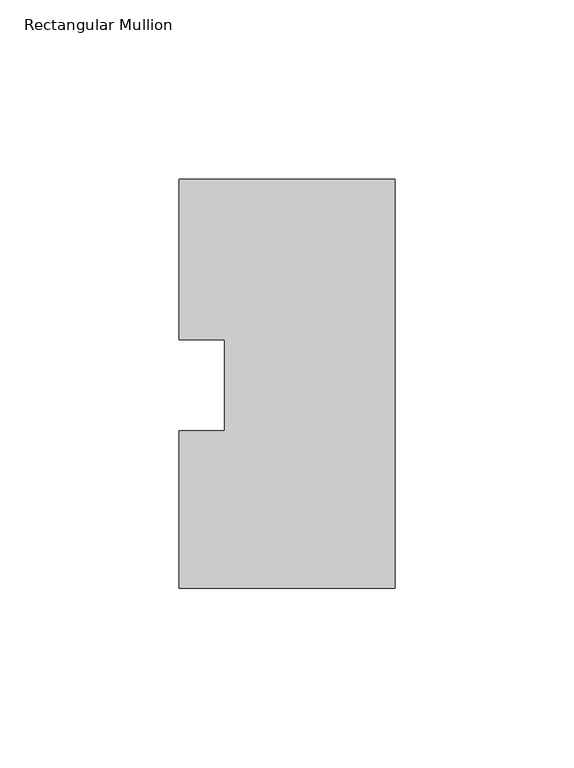
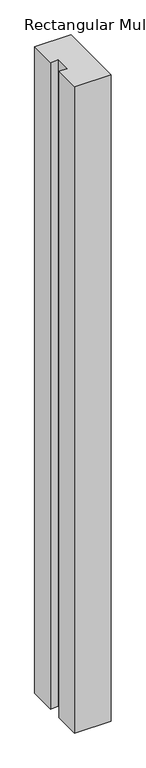
"""IFC4 building model written with IfcOpenShell, lengths in millimetres: member geometry, Rectangular Mullion."""

from ifc_helpers import new_model, si_unit, frame, origin, place, context, project, spatial, polyline, outline, extrude, source, transform, mapped, element, save


def rectangular_mullion_49db9d86(model_context):
    return source(origin(), model_context, "Body", "SweptSolid", [
        extrude(outline(polyline([(-60.325, 57.546875), (0.0, 57.546875), (0.0, -56.753125), (-60.325, -56.753125), (-60.325, -12.7), (-47.6232296, -12.7), (-47.6232296, 12.7), (-60.325, 12.7), (-60.325, 57.546875)])), frame((0.0, 0.0, -1130.3), z_axis=(0.0, 0.0, 1.0), x_axis=(1.0, 0.0, 0.0)), (0.0, 0.0, 1.0), 1130.3),
    ])


if __name__ == "__main__":
    model = new_model("IFC4")
    model_context = context("Model", 3, world=origin())
    ifc_project = project(units=[si_unit("LENGTHUNIT", "METRE", prefix="MILLI")], contexts=[model_context])
    site = spatial("IfcSite", under=ifc_project)
    building = spatial("IfcBuilding", under=site)
    placement = place(None, origin())
    rectangular_mullion_shape = rectangular_mullion_49db9d86(model_context)
    element("IfcMember", 1, ObjectType="Rectangular Mullion", at=placement, inside=building, context=model_context, shape_type="MappedRepresentation", body=[
        mapped(rectangular_mullion_shape, transform((0.0, 0.0, 0.0), x_axis=(1.0, 0.0, 0.0), y_axis=(0.0, 1.0, 0.0), z_axis=(0.0, 0.0, 1.0))),
    ])
    save(model, "model.ifc")
